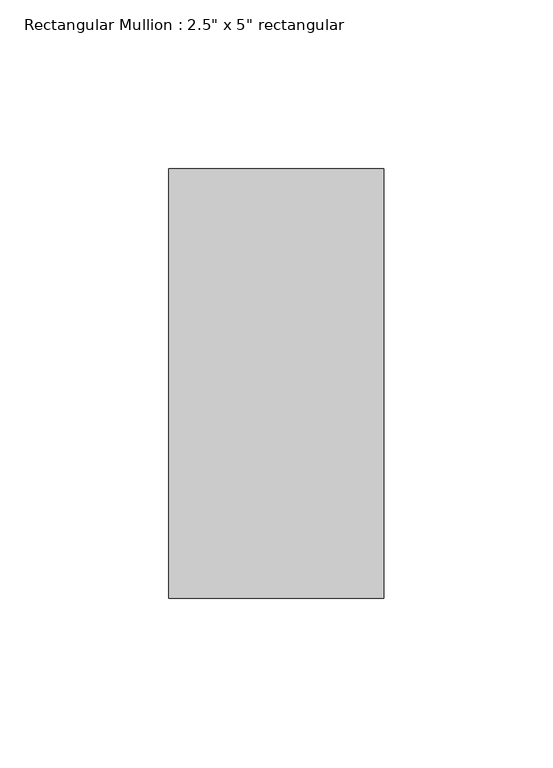
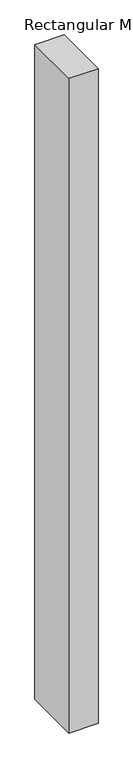
"""IFC4 building model written with IfcOpenShell, lengths in millimetres: member geometry."""

from ifc_helpers import new_model, si_unit, frame, origin, place, context, project, spatial, polyline, outline, extrude, source, transform, mapped, element, save


def member_37b75ba6(model_context):
    return source(origin(), model_context, "Body", "SweptSolid", [
        extrude(outline(polyline([(0.0, 63.5), (0.0, -63.5), (-63.5, -63.5), (-63.5, 63.5), (0.0, 63.5)])), frame((0.0, 0.0, -1500.0), z_axis=(0.0, 0.0, 1.0), x_axis=(1.0, 0.0, 0.0)), (0.0, 0.0, 1.0), 1500.0),
    ])


if __name__ == "__main__":
    model = new_model("IFC4")
    model_context = context("Model", 3, world=origin())
    ifc_project = project(units=[si_unit("LENGTHUNIT", "METRE", prefix="MILLI")], contexts=[model_context])
    site = spatial("IfcSite", under=ifc_project)
    building = spatial("IfcBuilding", under=site)
    placement = place(None, origin())
    member_shape = member_37b75ba6(model_context)
    element("IfcMember", 1, ObjectType="Rectangular Mullion : 2.5\" x 5\" rectangular", at=placement, inside=building, context=model_context, shape_type="MappedRepresentation", body=[
        mapped(member_shape, transform((0.0, 0.0, 0.0), x_axis=(1.0, 0.0, 0.0), y_axis=(0.0, 1.0, 0.0), z_axis=(0.0, 0.0, 1.0))),
    ])
    save(model, "model.ifc")
